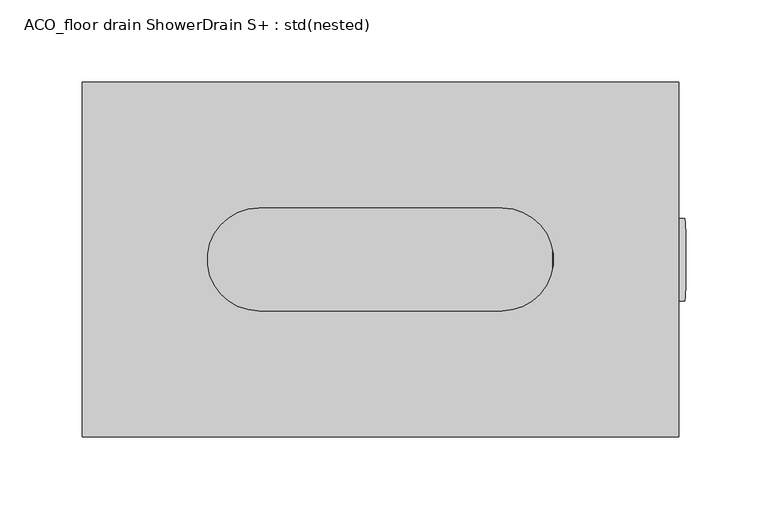
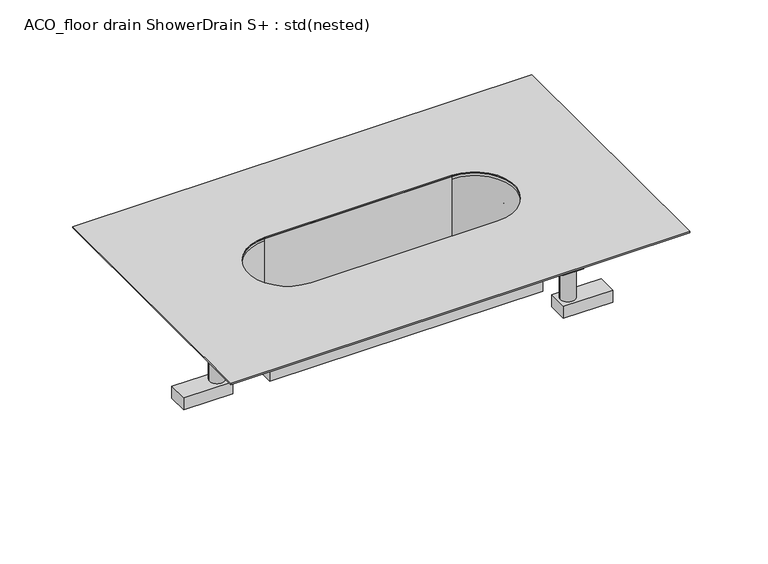
"""IFC4 building model written with IfcOpenShell, lengths in millimetres: sanitary terminal geometry, ACO_floor drain ShowerDrain S+ : std(nested)."""

from ifc_helpers import new_model, si_unit, point, frame, frame_2d, origin, place, context, project, spatial, polyline, circle_curve, trimmed, segment, composite_curve, outline, extrude, source, transform, mapped, element, save
from ifc_brep_helpers import plane_surface, revolved_surface, advanced_brep


def aco_floor_drain_showerdrain_s_std_nested_a80afc03(model_context):
    return source(origin(), model_context, "Body", "SolidModel", [
        extrude(outline(composite_curve([segment(trimmed(circle_curve(frame_2d((0.0, -25.0)), 25.0), [point((0.0, -50.0))], [point((0.0, 0.0))], False, "CARTESIAN"), True, "CONTINUOUS"), segment(trimmed(circle_curve(frame_2d((0.0, -25.0)), 25.0), [point((0.0, 0.0))], [point((0.0, -50.0))], False, "CARTESIAN"), True, "CONTINUOUS")], self_intersect=False), holes=[composite_curve([segment(trimmed(circle_curve(frame_2d((0.0, -25.0)), 23.0), [point((0.0, -48.0))], [point((0.0, -2.0))], True, "CARTESIAN"), True, "CONTINUOUS"), segment(trimmed(circle_curve(frame_2d((0.0, -25.0)), 23.0), [point((0.0, -2.0))], [point((0.0, -48.0))], True, "CARTESIAN"), True, "CONTINUOUS")], self_intersect=False)]), frame((185.1725137, -25.2244528, -1.9005007), z_axis=(-0.9996573249755574, 0.0, 0.026176948307872993), x_axis=(-0.026176948307872993, 0.0, -0.9996573249755574)), (0.0, 0.0, 1.0), 79.8878663),
        extrude(outline(polyline([(-121.951779, 8.0), (-121.951779, -8.0), (-160.951779, -8.0), (-160.951779, 8.0), (-121.951779, 8.0)])), frame((0.0, 0.0, -48.0111617), z_axis=(0.0, 0.0, 1.0), x_axis=(1.0, 0.0, 0.0)), (0.0, 0.0, 1.0), 10.0),
        extrude(outline(polyline([(158.0, 43.9690357), (158.0, 27.5575256), (119.0, 27.5575256), (119.0, 43.9690357), (158.0, 43.9690357)])), frame((0.0, 0.0, -48.0111617), z_axis=(0.0, 0.0, 1.0), x_axis=(1.0, 0.0, 0.0)), (0.0, 0.0, 1.0), 10.0),
        extrude(outline(polyline([(158.0, -27.5482191), (158.0, -43.5154528), (119.0, -43.5154528), (119.0, -27.5482191), (158.0, -27.5482191)])), frame((0.0, 0.0, -48.0111617), z_axis=(0.0, 0.0, 1.0), x_axis=(1.0, 0.0, 0.0)), (0.0, 0.0, 1.0), 10.0),
        extrude(outline(composite_curve([segment(trimmed(circle_curve(frame_2d((127.0109536, -35.53125)), 5.923615), [point((121.0873387, -35.53125))], [point((132.9345686, -35.53125))], False, "CARTESIAN"), True, "CONTINUOUS"), segment(trimmed(circle_curve(frame_2d((127.0109536, -35.53125)), 5.923615), [point((132.9345686, -35.53125))], [point((121.0873387, -35.53125))], False, "CARTESIAN"), True, "CONTINUOUS")], self_intersect=False)), frame((0.0, 0.0, -38.0111617), z_axis=(0.0, 0.0, 1.0), x_axis=(1.0, 0.0, 0.0)), (0.0, 0.0, 1.0), 70.0),
        extrude(outline(composite_curve([segment(trimmed(circle_curve(frame_2d((127.0, 35.7632806)), 5.8725233), [point((121.1274767, 35.7632806))], [point((132.8725233, 35.7632806))], False, "CARTESIAN"), True, "CONTINUOUS"), segment(trimmed(circle_curve(frame_2d((127.0, 35.7632806)), 5.8725233), [point((132.8725233, 35.7632806))], [point((121.1274767, 35.7632806))], False, "CARTESIAN"), True, "CONTINUOUS")], self_intersect=False)), frame((0.0, 0.0, -38.0111617), z_axis=(0.0, 0.0, 1.0), x_axis=(1.0, 0.0, 0.0)), (0.0, 0.0, 1.0), 70.0),
        extrude(outline(composite_curve([segment(trimmed(circle_curve(frame_2d((-130.0, 0.0)), 5.9292389), [point((-135.9292389, 0.0))], [point((-124.0707611, 0.0))], False, "CARTESIAN"), True, "CONTINUOUS"), segment(trimmed(circle_curve(frame_2d((-130.0, 0.0)), 5.9292389), [point((-124.0707611, 0.0))], [point((-135.9292389, 0.0))], False, "CARTESIAN"), True, "CONTINUOUS")], self_intersect=False)), frame((0.0, 0.0, -38.0111617), z_axis=(0.0, 0.0, 1.0), x_axis=(1.0, 0.0, 0.0)), (0.0, 0.0, 1.0), 70.0),
        advanced_brep(
        [(108.0, 34.0, -27.0111617), (108.0, -34.0, -27.0111617), (-108.0, -34.0, -27.0111617), (-108.0, 34.0, -27.0111617), (-108.0, 34.0, 38.9888383), (108.0, 34.0, 38.9888383), (108.0, 34.0, -0.0111617), (98.9702114, 34.0, -0.0111617), (98.9702114, 34.0, -12.0111617), (108.0, 34.0, -12.0111617), (-108.0, -34.0, 38.9888383), (-108.0, 8.0, -0.0111617), (-108.0, -8.0, -0.0111617), (-108.0, -8.0, -12.0111617), (-108.0, 8.0, -12.0111617), (108.0, -34.0, -12.0111617), (98.9979566, -34.0, -12.0111617), (98.9979566, -34.0, -0.0111617), (108.0, -34.0, -0.0111617), (108.0, -34.0, 38.9888383), (108.0, 24.987147, -12.0111617), (108.0, 24.987147, -0.0111617), (108.0, -24.9440727, -0.0111617), (108.0, -24.9440727, -12.0111617), (74.0, 31.2648216, -25.0111617), (-74.0, 31.2648216, -25.0111617), (-74.0, -31.2648216, -25.0111617), (74.0, -31.2648216, -25.0111617), (74.0, 31.2648216, 38.9888383), (74.0, 31.2648216, 40.9888383), (-74.0, 31.2648216, 40.9888383), (-74.0, 31.2648216, 38.9888383), (-74.0, -31.2648216, 38.9888383), (-74.0, -31.2648216, 40.9888383), (74.0, -31.2648216, 40.9888383), (74.0, -31.2648216, 38.9888383), (119.0, 45.0, 40.9888383), (-119.0, 45.0, 40.9888383), (-119.0, -45.0, 40.9888383), (119.0, -45.0, 40.9888383), (119.0, 45.0, 38.9888383), (119.0, -45.0, 38.9888383), (-119.0, -45.0, 38.9888383), (-119.0, 45.0, 38.9888383), (119.403911, -43.5154528, -0.0111617), (135.205755, -43.5154528, -0.0111617), (135.205755, -27.5482191, -0.0111617), (113.58461, -27.5482191, -0.0111617), (-138.0, -8.0, -0.0111617), (-138.0, 8.0, -0.0111617), (135.205755, 27.5575256, -0.0111617), (135.205755, 43.9690357, -0.0111617), (120.3488773, 43.9690357, -0.0111617), (113.588574, 27.5575256, -0.0111617), (119.403911, -43.5154528, -12.0111617), (113.58461, -27.5482191, -12.0111617), (135.205755, -27.5482191, -12.0111617), (135.205755, -43.5154528, -12.0111617), (135.205755, 27.5575256, -12.0111617), (113.588574, 27.5575256, -12.0111617), (120.3488773, 43.9690357, -12.0111617), (135.205755, 43.9690357, -12.0111617), (-138.0, -8.0, -12.0111617), (-138.0, 8.0, -12.0111617)],
        [
            (0, 1),
            (1, 2),
            (2, 3),
            (3, 0),
            (3, 4),
            (4, 5),
            (5, 6),
            (6, 7),
            (7, 8),
            (8, 9),
            (9, 0),
            (2, 10),
            (10, 4),
            (11, 12),
            (12, 13),
            (13, 14),
            (14, 11),
            (1, 15),
            (15, 16),
            (16, 17),
            (17, 18),
            (18, 19),
            (19, 10),
            (9, 20),
            (20, 21),
            (21, 6),
            (5, 19),
            (18, 22),
            (22, 23),
            (23, 15),
            (24, 25),
            (25, 26, circle_curve(frame((-74.0, 0.0, -25.0111617), z_axis=(0.0, 0.0, 1.0), x_axis=(1.0, 0.0, 0.0)), 31.2648216)),
            (26, 27),
            (27, 24, circle_curve(frame((74.0, 0.0, -25.0111617), z_axis=(0.0, 0.0, 1.0), x_axis=(1.0, 0.0, 0.0)), 31.2648216)),
            (24, 28),
            (28, 29),
            (29, 30),
            (30, 31),
            (31, 25),
            (31, 32, circle_curve(frame((-74.0, 0.0, 38.9888383), z_axis=(0.0, 0.0, 1.0), x_axis=(1.0, 0.0, 0.0)), 31.2648216)),
            (32, 26),
            (32, 33),
            (33, 34),
            (34, 35),
            (35, 27),
            (35, 28, circle_curve(frame((74.0, 0.0, 38.9888383), z_axis=(0.0, 0.0, 1.0), x_axis=(1.0, 0.0, 0.0)), 31.2648216)),
            (36, 37),
            (37, 38),
            (38, 39),
            (39, 36),
            (29, 34, circle_curve(frame((74.0, 0.0, 40.9888383), z_axis=(0.0, 0.0, -1.0), x_axis=(1.0, 0.0, 0.0)), 31.2648216)),
            (33, 30, circle_curve(frame((-74.0, 0.0, 40.9888383), z_axis=(0.0, 0.0, -1.0), x_axis=(1.0, 0.0, 0.0)), 31.2648216)),
            (40, 41),
            (41, 42),
            (42, 43),
            (43, 40),
            (36, 40),
            (43, 37),
            (42, 38),
            (41, 39),
            (44, 45),
            (45, 46),
            (46, 47),
            (47, 22),
            (17, 44),
            (48, 12),
            (11, 49),
            (49, 48),
            (50, 51),
            (51, 52),
            (52, 7),
            (21, 53),
            (53, 50),
            (54, 16),
            (23, 55),
            (55, 56),
            (56, 57),
            (57, 54),
            (58, 59),
            (59, 20),
            (8, 60),
            (60, 61),
            (61, 58),
            (62, 63),
            (63, 14),
            (13, 62),
            (44, 54),
            (57, 45),
            (46, 56),
            (55, 47),
            (51, 61),
            (60, 52),
            (59, 53),
            (58, 50),
            (48, 62),
            (63, 49),
        ],
        [
            plane_surface(frame((-108.0, 34.0, -27.0111617), z_axis=(0.0, 0.0, -1.0), x_axis=(1.0, 0.0, 0.0))),
            plane_surface(frame((108.0, 34.0, 38.9888383), z_axis=(0.0, 1.0, 0.0), x_axis=(0.0, 0.0, -1.0))),
            plane_surface(frame((-108.0, 34.0, 38.9888383), z_axis=(-1.0, 0.0, 0.0), x_axis=(0.0, 0.0, -1.0))),
            plane_surface(frame((-108.0, -34.0, 38.9888383), z_axis=(0.0, -1.0, 0.0), x_axis=(0.0, 0.0, -1.0))),
            plane_surface(frame((108.0, -34.0, 38.9888383), z_axis=(1.0, 0.0, 0.0), x_axis=(0.0, 0.0, -1.0))),
            plane_surface(frame((-74.0, 31.2648216, -25.0111617), z_axis=(0.0, 0.0, 1.0), x_axis=(1.0, 0.0, 0.0))),
            plane_surface(frame((74.0, 31.2648216, 38.9888383), z_axis=(0.0, -1.0, 0.0), x_axis=(0.0, 0.0, -1.0))),
            revolved_surface(polyline([(-42.735178399999995, 0.0, 38.9888383), (-42.735178399999995, 0.0, -25.0111617)]), (-74.0, 0.0, -25.0111617), (0.0, 0.0, 1.0)),
            plane_surface(frame((-74.0, -31.2648216, 38.9888383), z_axis=(0.0, 1.0, 0.0), x_axis=(0.0, 0.0, -1.0))),
            revolved_surface(polyline([(105.2648216, 0.0, 38.9888383), (105.2648216, 0.0, -25.0111617)]), (74.0, 0.0, -25.0111617), (0.0, 0.0, 1.0)),
            plane_surface(frame((-119.0, 45.0, 40.9888383), z_axis=(0.0, 0.0, 1.0), x_axis=(-1.0, 0.0, 0.0))),
            plane_surface(frame((-119.0, 45.0, 38.9888383), z_axis=(0.0, 0.0, -1.0), x_axis=(1.0, 0.0, 0.0))),
            plane_surface(frame((119.0, 45.0, 40.9888383), z_axis=(0.0, 1.0, 0.0), x_axis=(0.0, 0.0, -1.0))),
            plane_surface(frame((-119.0, 45.0, 40.9888383), z_axis=(-1.0, 0.0, 0.0), x_axis=(0.0, 0.0, -1.0))),
            plane_surface(frame((-119.0, -45.0, 40.9888383), z_axis=(0.0, -1.0, 0.0), x_axis=(0.0, 0.0, -1.0))),
            plane_surface(frame((119.0, -45.0, 40.9888383), z_axis=(1.0, 0.0, 0.0), x_axis=(0.0, 0.0, -1.0))),
            revolved_surface(polyline([(105.2648216, 0.0, 38.9888383), (105.2648216, 0.0, 40.9888383)]), (74.0, 0.0, 41.9888383), (0.0, 0.0, -1.0)),
            revolved_surface(polyline([(-42.735178399999995, 0.0, 38.9888383), (-42.735178399999995, 0.0, 40.9888383)]), (-74.0, 0.0, 41.9888383), (0.0, 0.0, -1.0)),
            plane_surface(frame((119.403911, -43.5154528, -0.0111617), z_axis=(0.0, 0.0, 1.0), x_axis=(1.0, 0.0, 0.0))),
            plane_surface(frame((119.403911, -43.5154528, -12.0111617), z_axis=(0.0, 0.0, -1.0), x_axis=(-1.0, 0.0, 0.0))),
            plane_surface(frame((119.403911, -43.5154528, -0.0111617), z_axis=(0.0, -1.0, 0.0), x_axis=(0.0, 0.0, -1.0))),
            plane_surface(frame((135.205755, -27.5482191, -0.0111617), z_axis=(0.0, 1.0, 0.0), x_axis=(0.0, 0.0, -1.0))),
            plane_surface(frame((113.58461, -27.5482191, -0.0111617), z_axis=(0.42261826174070194, 0.9063077870366488, 0.0), x_axis=(0.0, 0.0, -1.0))),
            plane_surface(frame((98.9979566, -34.0, -0.0111617), z_axis=(-0.4226182617407015, -0.906307787036649, 0.0), x_axis=(0.0, 0.0, -1.0))),
            plane_surface(frame((135.205755, 43.9690357, -0.0111617), z_axis=(0.0, 1.0, 0.0), x_axis=(0.0, 0.0, -1.0))),
            plane_surface(frame((120.3488773, 43.9690357, -0.0111617), z_axis=(-0.4226182617406999, 0.9063077870366498, 0.0), x_axis=(0.0, 0.0, -1.0))),
            plane_surface(frame((108.0, 24.987147, -0.0111617), z_axis=(0.41785657893973854, -0.9085130045501706, 0.0), x_axis=(0.0, 0.0, -1.0))),
            plane_surface(frame((113.588574, 27.5575256, -0.0111617), z_axis=(0.0, -1.0, 0.0), x_axis=(0.0, 0.0, -1.0))),
            plane_surface(frame((-138.0, -8.0, -0.0111617), z_axis=(0.0, -1.0, 0.0), x_axis=(0.0, 0.0, -1.0))),
            plane_surface(frame((-108.0, 8.0, -0.0111617), z_axis=(0.0, 1.0, 0.0), x_axis=(0.0, 0.0, -1.0))),
            plane_surface(frame((135.205755, -43.5154528, -0.0111617), z_axis=(1.0, 0.0, 0.0), x_axis=(0.0, 0.0, -1.0))),
            plane_surface(frame((135.205755, 27.5575256, -0.0111617), z_axis=(1.0, 0.0, 0.0), x_axis=(0.0, 0.0, -1.0))),
            plane_surface(frame((-138.0, 8.0, -0.0111617), z_axis=(-1.0, 0.0, 0.0), x_axis=(0.0, 0.0, -1.0))),
        ],
        [
            (0, [[1, 2, 3, 4]]),
            (1, [[-4, 5, 6, 7, 8, 9, 10, 11]]),
            (2, [[-3, 12, 13, -5], [14, 15, 16, 17]]),
            (3, [[-2, 18, 19, 20, 21, 22, 23, -12]]),
            (4, [[-1, -11, 24, 25, 26, -7, 27, -22, 28, 29, 30, -18]]),
            (5, [[31, 32, 33, 34]]),
            (6, [[-31, 35, 36, 37, 38, 39]]),
            (7, [[-32, -39, 40, 41]]),
            (8, [[-33, -41, 42, 43, 44, 45]]),
            (9, [[-34, -45, 46, -35]]),
            (10, [[47, 48, 49, 50], [51, -43, 52, -37]]),
            (11, [[53, 54, 55, 56], [-6, -13, -23, -27]]),
            (12, [[-47, 57, -56, 58]]),
            (13, [[-48, -58, -55, 59]]),
            (14, [[-49, -59, -54, 60]]),
            (15, [[-50, -60, -53, -57]]),
            (16, [[-51, -36, -46, -44]]),
            (17, [[-52, -42, -40, -38]]),
            (18, [[61, 62, 63, 64, -28, -21, 65]]),
            (18, [[66, -14, 67, 68]]),
            (18, [[69, 70, 71, -8, -26, 72, 73]]),
            (19, [[74, -19, -30, 75, 76, 77, 78]]),
            (19, [[79, 80, -24, -10, 81, 82, 83]]),
            (19, [[84, 85, -16, 86]]),
            (20, [[-61, 87, -78, 88]]),
            (21, [[-63, 89, -76, 90]]),
            (22, [[-64, -90, -75, -29]]),
            (23, [[-65, -20, -74, -87]]),
            (24, [[-70, 91, -82, 92]]),
            (25, [[-71, -92, -81, -9]]),
            (26, [[-72, -25, -80, 93]]),
            (27, [[-73, -93, -79, 94]]),
            (28, [[-66, 95, -86, -15]]),
            (29, [[-67, -17, -85, 96]]),
            (30, [[-62, -88, -77, -89]]),
            (31, [[-69, -94, -83, -91]]),
            (32, [[-68, -96, -84, -95]]),
        ],
    ),
        extrude(outline(polyline([(181.5, 108.0), (181.5, -108.0), (-181.5, -108.0), (-181.5, 108.0), (181.5, 108.0)]), holes=[composite_curve([segment(polyline([(74.0, 31.2648216), (-74.0, 31.2648216)]), True, "CONTINUOUS"), segment(trimmed(circle_curve(frame_2d((-74.0, 0.0)), 31.2648216), [point((-74.0, 31.2648216))], [point((-74.0, -31.2648216))], True, "CARTESIAN"), True, "CONTINUOUS"), segment(polyline([(-74.0, -31.2648216), (74.0, -31.2648216)]), True, "CONTINUOUS"), segment(trimmed(circle_curve(frame_2d((74.0, 0.0)), 31.2648216), [point((74.0, -31.2648216))], [point((74.0, 31.2648216))], True, "CARTESIAN"), True, "CONTINUOUS")], self_intersect=False)]), frame((0.0, 0.0, 40.9888383), z_axis=(0.0, 0.0, 1.0), x_axis=(1.0, 0.0, 0.0)), (0.0, 0.0, 1.0), 1.0),
    ])


if __name__ == "__main__":
    model = new_model("IFC4")
    model_context = context("Model", 3, world=origin())
    ifc_project = project(units=[si_unit("LENGTHUNIT", "METRE", prefix="MILLI")], contexts=[model_context])
    site = spatial("IfcSite", under=ifc_project)
    building = spatial("IfcBuilding", under=site)
    placement = place(None, origin())
    aco_floor_drain_showerdrain_s_std_nested_shape = aco_floor_drain_showerdrain_s_std_nested_a80afc03(model_context)
    element("IfcSanitaryTerminal", 1, ObjectType="ACO_floor drain ShowerDrain S+ : std(nested)", at=placement, inside=building, context=model_context, shape_type="MappedRepresentation", body=[
        mapped(aco_floor_drain_showerdrain_s_std_nested_shape, transform((0.0, 0.0, 0.0), x_axis=(1.0, 0.0, 0.0), y_axis=(0.0, 1.0, 0.0), z_axis=(0.0, 0.0, 1.0))),
    ])
    save(model, "model.ifc")
